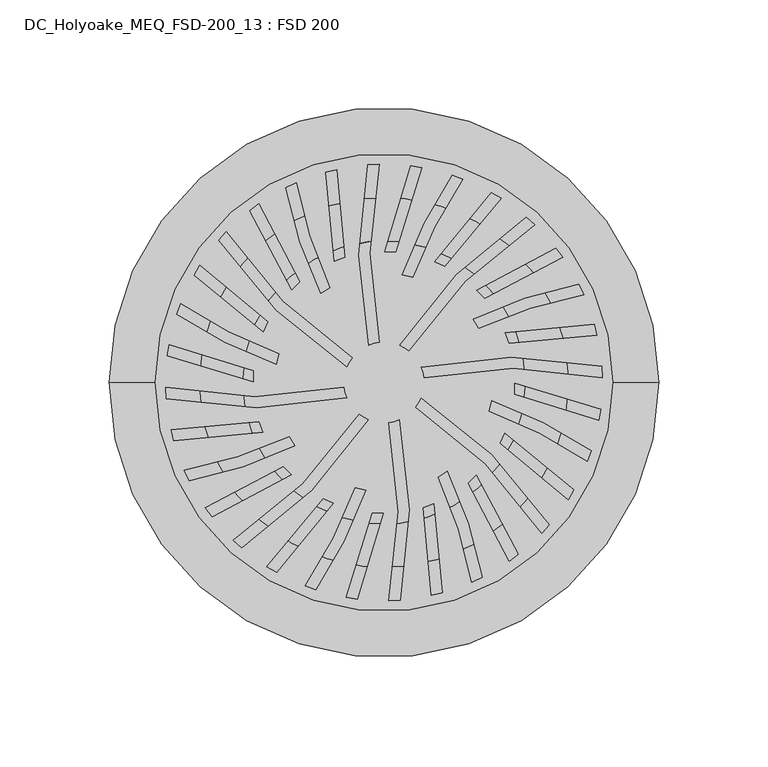
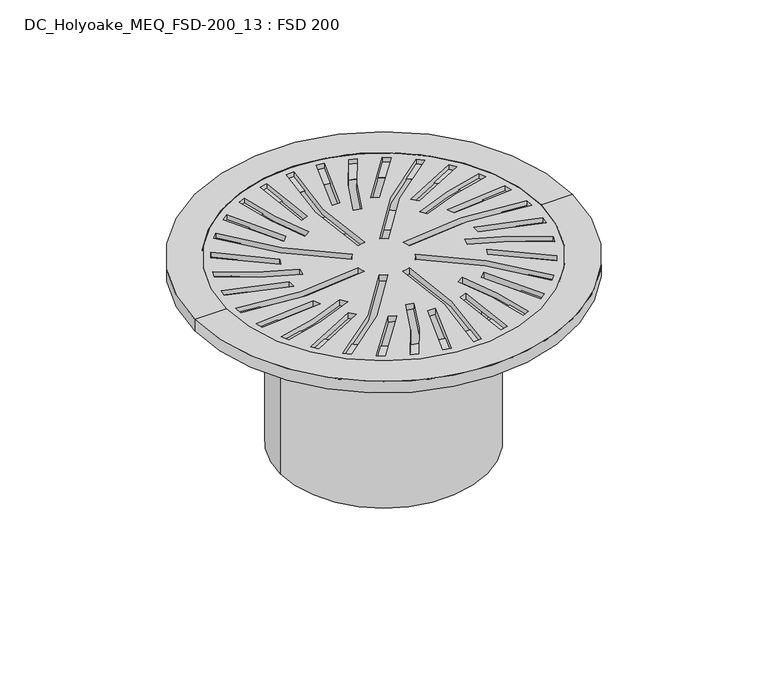
"""IFC4 building model written with IfcOpenShell, lengths in millimetres: air terminal geometry, DC_Holyoake_MEQ_FSD-200_13 : FSD 200."""

from ifc_helpers import new_model, si_unit, point, frame, frame_2d, origin, origin_with_axes, origin_2d, place, context, project, spatial, polyline, circle_curve, trimmed, segment, composite_curve, outline, extrude, source, transform, mapped, element, save
from ifc_brep_helpers import plane_surface, cylinder_surface, revolved_surface, advanced_brep


def dc_holyoake_meq_fsd_200_13_fsd_200_4b2e48f1(model_context):
    return source(origin(), model_context, "Body", "SolidModel", [
        advanced_brep(
        [(89.0, 0.0, -26.5366546), (-89.0, 0.0, -26.5366546), (-89.0, 0.0, -4.0), (89.0, 0.0, -4.0), (69.0, 0.0, -26.5366546), (-69.0, 0.0, -26.5366546), (69.0, 0.0, -125.0), (-69.0, 0.0, -125.0), (0.0, 0.0, -125.0), (65.0, 0.0, -121.0), (-65.0, 0.0, -121.0), (0.0, 0.0, -121.0), (65.0, 0.0, -22.5366546), (-65.0, 0.0, -22.5366546), (85.0, 0.0, -22.5366546), (-85.0, 0.0, -22.5366546), (85.0, 0.0, 0.4633454), (-85.0, 0.0, 0.4633454), (105.0, 0.0, 0.4633454), (-105.0, 0.0, 0.4633454), (126.0, 0.0, -4.0), (-126.0, 0.0, -4.0), (-126.0, 0.0, 4.0), (126.0, 0.0, 4.0), (105.0, 0.0, 4.0), (-105.0, 0.0, 4.0)],
        [
            (0, 1, circle_curve(frame((0.0, 0.0, -26.5366546), z_axis=(0.0, 0.0, 1.0), x_axis=(-1.0, 0.0, 0.0)), 89.0)),
            (1, 2),
            (2, 3, circle_curve(frame((0.0, 0.0, -4.0), z_axis=(0.0, 0.0, -1.0), x_axis=(-1.0, 0.0, 0.0)), 89.0)),
            (3, 0),
            (1, 0, circle_curve(frame((0.0, 0.0, -26.5366546), z_axis=(0.0, 0.0, 1.0), x_axis=(-1.0, 0.0, 0.0)), 89.0)),
            (3, 2, circle_curve(frame((0.0, 0.0, -4.0), z_axis=(0.0, 0.0, -1.0), x_axis=(-1.0, 0.0, 0.0)), 89.0)),
            (4, 5, circle_curve(frame((0.0, 0.0, -26.5366546), z_axis=(0.0, 0.0, 1.0), x_axis=(-1.0, 0.0, 0.0)), 69.0)),
            (5, 1),
            (0, 4),
            (5, 4, circle_curve(frame((0.0, 0.0, -26.5366546), z_axis=(0.0, 0.0, 1.0), x_axis=(-1.0, 0.0, 0.0)), 69.0)),
            (6, 7, circle_curve(frame((0.0, 0.0, -125.0), z_axis=(0.0, 0.0, 1.0), x_axis=(-1.0, 0.0, 0.0)), 69.0)),
            (7, 5),
            (4, 6),
            (7, 6, circle_curve(frame((0.0, 0.0, -125.0), z_axis=(0.0, 0.0, 1.0), x_axis=(-1.0, 0.0, 0.0)), 69.0)),
            (8, 7),
            (6, 8),
            (9, 10, circle_curve(frame((0.0, 0.0, -121.0), z_axis=(0.0, 0.0, 1.0), x_axis=(-1.0, 0.0, 0.0)), 65.0)),
            (10, 11),
            (11, 9),
            (10, 9, circle_curve(frame((0.0, 0.0, -121.0), z_axis=(0.0, 0.0, 1.0), x_axis=(-1.0, 0.0, 0.0)), 65.0)),
            (12, 13, circle_curve(frame((0.0, 0.0, -22.5366546), z_axis=(0.0, 0.0, 1.0), x_axis=(-1.0, 0.0, 0.0)), 65.0)),
            (13, 10),
            (9, 12),
            (13, 12, circle_curve(frame((0.0, 0.0, -22.5366546), z_axis=(0.0, 0.0, 1.0), x_axis=(-1.0, 0.0, 0.0)), 65.0)),
            (14, 15, circle_curve(frame((0.0, 0.0, -22.5366546), z_axis=(0.0, 0.0, 1.0), x_axis=(-1.0, 0.0, 0.0)), 85.0)),
            (15, 13),
            (12, 14),
            (15, 14, circle_curve(frame((0.0, 0.0, -22.5366546), z_axis=(0.0, 0.0, 1.0), x_axis=(-1.0, 0.0, 0.0)), 85.0)),
            (16, 17, circle_curve(frame((0.0, 0.0, 0.4633454), z_axis=(0.0, 0.0, 1.0), x_axis=(-1.0, 0.0, 0.0)), 85.0)),
            (17, 15),
            (14, 16),
            (17, 16, circle_curve(frame((0.0, 0.0, 0.4633454), z_axis=(0.0, 0.0, 1.0), x_axis=(-1.0, 0.0, 0.0)), 85.0)),
            (18, 19, circle_curve(frame((0.0, 0.0, 0.4633454), z_axis=(0.0, 0.0, 1.0), x_axis=(-1.0, 0.0, 0.0)), 105.0)),
            (19, 17),
            (16, 18),
            (19, 18, circle_curve(frame((0.0, 0.0, 0.4633454), z_axis=(0.0, 0.0, 1.0), x_axis=(-1.0, 0.0, 0.0)), 105.0)),
            (20, 21, circle_curve(frame((0.0, 0.0, -4.0), z_axis=(0.0, 0.0, 1.0), x_axis=(-1.0, 0.0, 0.0)), 126.0)),
            (21, 22),
            (22, 23, circle_curve(frame((0.0, 0.0, 4.0), z_axis=(0.0, 0.0, -1.0), x_axis=(-1.0, 0.0, 0.0)), 126.0)),
            (23, 20),
            (21, 20, circle_curve(frame((0.0, 0.0, -4.0), z_axis=(0.0, 0.0, 1.0), x_axis=(-1.0, 0.0, 0.0)), 126.0)),
            (23, 22, circle_curve(frame((0.0, 0.0, 4.0), z_axis=(0.0, 0.0, -1.0), x_axis=(-1.0, 0.0, 0.0)), 126.0)),
            (2, 21),
            (20, 3),
            (24, 25, circle_curve(frame((0.0, 0.0, 4.0), z_axis=(0.0, 0.0, 1.0), x_axis=(-1.0, 0.0, 0.0)), 105.0)),
            (25, 19),
            (18, 24),
            (25, 24, circle_curve(frame((0.0, 0.0, 4.0), z_axis=(0.0, 0.0, 1.0), x_axis=(-1.0, 0.0, 0.0)), 105.0)),
            (22, 25),
            (24, 23),
        ],
        [
            cylinder_surface(frame((0.0, 0.0, 2214.3150031), z_axis=(0.0, 0.0, -1.0), x_axis=(-1.0, 0.0, 0.0)), 89.0),
            plane_surface(frame((0.0, 0.0, -26.5366546), z_axis=(0.0, 0.0, -1.0), x_axis=(-1.0, 0.0, 0.0))),
            cylinder_surface(frame((0.0, 0.0, 2214.3150031), z_axis=(0.0, 0.0, -1.0), x_axis=(-1.0, 0.0, 0.0)), 69.0),
            plane_surface(frame((0.0, 0.0, -125.0), z_axis=(0.0, 0.0, -1.0), x_axis=(-1.0, 0.0, 0.0))),
            plane_surface(frame((0.0, 0.0, -121.0), z_axis=(0.0, 0.0, 1.0), x_axis=(-1.0, 0.0, 0.0))),
            revolved_surface(polyline([(-65.0, 0.0, -121.0), (-65.0, 0.0, -22.53665460000002)]), (0.0, 0.0, 2214.3150031), (0.0, 0.0, -1.0)),
            plane_surface(frame((0.0, 0.0, -22.5366546), z_axis=(0.0, 0.0, 1.0), x_axis=(-1.0, 0.0, 0.0))),
            revolved_surface(polyline([(-85.0, 0.0, -22.53665460000002), (-85.0, 0.0, 0.46334539999998015)]), (0.0, 0.0, 2214.3150031), (0.0, 0.0, -1.0)),
            plane_surface(frame((0.0, 0.0, 0.4633454), z_axis=(0.0, 0.0, 1.0), x_axis=(-1.0, 0.0, 0.0))),
            cylinder_surface(frame((0.0, 0.0, 2214.3150031), z_axis=(0.0, 0.0, -1.0), x_axis=(-1.0, 0.0, 0.0)), 126.0),
            plane_surface(frame((0.0, 0.0, -4.0), z_axis=(0.0, 0.0, -1.0), x_axis=(-1.0, 0.0, 0.0))),
            revolved_surface(polyline([(-105.0, 0.0, 0.46334539999998015), (-105.0, 0.0, 4.0)]), (0.0, 0.0, 2214.3150031), (0.0, 0.0, -1.0)),
            plane_surface(frame((0.0, 0.0, 4.0), z_axis=(0.0, 0.0, 1.0), x_axis=(-1.0, 0.0, 0.0))),
        ],
        [
            (0, [[1, 2, 3, 4]]),
            (0, [[5, -4, 6, -2]]),
            (1, [[7, 8, -1, 9]]),
            (1, [[10, -9, -5, -8]]),
            (2, [[11, 12, -7, 13]]),
            (2, [[14, -13, -10, -12]]),
            (3, [[15, -11, 16]]),
            (3, [[-16, -14, -15]]),
            (4, [[17, 18, 19]]),
            (4, [[20, -19, -18]]),
            (5, [[21, 22, -17, 23]]),
            (5, [[24, -23, -20, -22]]),
            (6, [[25, 26, -21, 27]]),
            (6, [[28, -27, -24, -26]]),
            (7, [[29, 30, -25, 31]]),
            (7, [[32, -31, -28, -30]]),
            (8, [[33, 34, -29, 35]]),
            (8, [[36, -35, -32, -34]]),
            (9, [[37, 38, 39, 40]]),
            (9, [[41, -40, 42, -38]]),
            (10, [[-3, 43, -37, 44]]),
            (10, [[-6, -44, -41, -43]]),
            (11, [[45, 46, -33, 47]]),
            (11, [[48, -47, -36, -46]]),
            (12, [[-39, 49, -45, 50]]),
            (12, [[-42, -50, -48, -49]]),
        ],
    ),
        extrude(outline(composite_curve([segment(trimmed(circle_curve(origin_2d(), 105.0), [point((-105.0, 0.0))], [point((105.0, 0.0))], False, "CARTESIAN"), True, "CONTINUOUS"), segment(trimmed(circle_curve(origin_2d(), 105.0), [point((105.0, 0.0))], [point((-105.0, 0.0))], False, "CARTESIAN"), True, "CONTINUOUS")], self_intersect=False), holes=[composite_curve([segment(trimmed(circle_curve(frame_2d((191.0220864, 59.25)), 197.5), [point((-2.200496, 18.368664))], [point((-2.2334955, 99.9750544))], False, "CARTESIAN"), True, "CONTINUOUS"), segment(trimmed(circle_curve(origin_2d(), 100.0), [point((-2.2334955, 99.9750544))], [point((-7.3913858, 99.726463))], True, "CARTESIAN"), True, "CONTINUOUS"), segment(trimmed(circle_curve(frame_2d((191.0220864, 59.25)), 202.5), [point((-7.3913858, 99.726463))], [point((-7.0440003, 17.1064917))], True, "CARTESIAN"), True, "CONTINUOUS"), segment(trimmed(circle_curve(origin_2d(), 18.5), [point((-7.0440003, 17.1064917))], [point((-2.200496, 18.368664))], False, "CARTESIAN"), True, "CONTINUOUS")], self_intersect=False), composite_curve([segment(trimmed(circle_curve(origin_2d(), 18.5), [point((-17.0769767, 7.1152559))], [point((-14.5445925, 11.4326212))], False, "CARTESIAN"), True, "CONTINUOUS"), segment(trimmed(circle_curve(frame_2d((93.1769359, 176.9690894)), 197.5), [point((-14.5445925, 11.4326212))], [point((-72.2723587, 69.1137191))], False, "CARTESIAN"), True, "CONTINUOUS"), segment(trimmed(circle_curve(origin_2d(), 100.0), [point((-72.2723587, 69.1137191))], [point((-75.7437572, 65.2907592))], True, "CARTESIAN"), True, "CONTINUOUS"), segment(trimmed(circle_curve(frame_2d((93.1769359, 176.9690894)), 202.5), [point((-75.7437572, 65.2907592))], [point((-17.0769767, 7.1152559))], True, "CARTESIAN"), True, "CONTINUOUS")], self_intersect=False), composite_curve([segment(trimmed(circle_curve(frame_2d((176.9690894, -93.1769359)), 197.5), [point((11.4326212, 14.5445925))], [point((69.1137191, 72.2723587))], False, "CARTESIAN"), True, "CONTINUOUS"), segment(trimmed(circle_curve(origin_2d(), 100.0), [point((69.1137191, 72.2723587))], [point((65.2907592, 75.7437572))], True, "CARTESIAN"), True, "CONTINUOUS"), segment(trimmed(circle_curve(frame_2d((176.9690894, -93.1769359)), 202.5), [point((65.2907592, 75.7437572))], [point((7.1152559, 17.0769767))], True, "CARTESIAN"), True, "CONTINUOUS"), segment(trimmed(circle_curve(origin_2d(), 18.5), [point((7.1152559, 17.0769767))], [point((11.4326212, 14.5445925))], False, "CARTESIAN"), True, "CONTINUOUS")], self_intersect=False), composite_curve([segment(trimmed(circle_curve(frame_2d((59.25, -191.0220864)), 197.5), [point((18.368664, 2.200496))], [point((99.9750544, 2.2334955))], False, "CARTESIAN"), True, "CONTINUOUS"), segment(trimmed(circle_curve(origin_2d(), 100.0), [point((99.9750544, 2.2334955))], [point((99.726463, 7.3913858))], True, "CARTESIAN"), True, "CONTINUOUS"), segment(trimmed(circle_curve(frame_2d((59.25, -191.0220864)), 202.5), [point((99.726463, 7.3913858))], [point((17.1064917, 7.0440003))], True, "CARTESIAN"), True, "CONTINUOUS"), segment(trimmed(circle_curve(origin_2d(), 18.5), [point((17.1064917, 7.0440003))], [point((18.368664, 2.200496))], False, "CARTESIAN"), True, "CONTINUOUS")], self_intersect=False), composite_curve([segment(trimmed(circle_curve(frame_2d((-93.1769359, -176.9690894)), 202.5), [point((75.7437572, -65.2907592))], [point((17.0769767, -7.1152559))], True, "CARTESIAN"), True, "CONTINUOUS"), segment(trimmed(circle_curve(origin_2d(), 18.5), [point((17.0769767, -7.1152559))], [point((14.5445925, -11.4326212))], False, "CARTESIAN"), True, "CONTINUOUS"), segment(trimmed(circle_curve(frame_2d((-93.1769359, -176.9690894)), 197.5), [point((14.5445925, -11.4326212))], [point((72.2723587, -69.1137191))], False, "CARTESIAN"), True, "CONTINUOUS"), segment(trimmed(circle_curve(origin_2d(), 100.0), [point((72.2723587, -69.1137191))], [point((75.7437572, -65.2907592))], True, "CARTESIAN"), True, "CONTINUOUS")], self_intersect=False), composite_curve([segment(trimmed(circle_curve(frame_2d((-191.0220864, -59.25)), 197.5), [point((2.200496, -18.368664))], [point((2.2334955, -99.9750544))], False, "CARTESIAN"), True, "CONTINUOUS"), segment(trimmed(circle_curve(origin_2d(), 100.0), [point((2.2334955, -99.9750544))], [point((7.3913858, -99.726463))], True, "CARTESIAN"), True, "CONTINUOUS"), segment(trimmed(circle_curve(frame_2d((-191.0220864, -59.25)), 202.5), [point((7.3913858, -99.726463))], [point((7.0440003, -17.1064917))], True, "CARTESIAN"), True, "CONTINUOUS"), segment(trimmed(circle_curve(origin_2d(), 18.5), [point((7.0440003, -17.1064917))], [point((2.200496, -18.368664))], False, "CARTESIAN"), True, "CONTINUOUS")], self_intersect=False), composite_curve([segment(trimmed(circle_curve(frame_2d((-176.9690894, 93.1769359)), 197.5), [point((-11.4326212, -14.5445925))], [point((-69.1137191, -72.2723587))], False, "CARTESIAN"), True, "CONTINUOUS"), segment(trimmed(circle_curve(origin_2d(), 100.0), [point((-69.1137191, -72.2723587))], [point((-65.2907592, -75.7437572))], True, "CARTESIAN"), True, "CONTINUOUS"), segment(trimmed(circle_curve(frame_2d((-176.9690894, 93.1769359)), 202.5), [point((-65.2907592, -75.7437572))], [point((-7.1152559, -17.0769767))], True, "CARTESIAN"), True, "CONTINUOUS"), segment(trimmed(circle_curve(origin_2d(), 18.5), [point((-7.1152559, -17.0769767))], [point((-11.4326212, -14.5445925))], False, "CARTESIAN"), True, "CONTINUOUS")], self_intersect=False), composite_curve([segment(trimmed(circle_curve(frame_2d((-59.25, 191.0220864)), 197.5), [point((-18.368664, -2.200496))], [point((-99.9750544, -2.2334955))], False, "CARTESIAN"), True, "CONTINUOUS"), segment(trimmed(circle_curve(origin_2d(), 100.0), [point((-99.9750544, -2.2334955))], [point((-99.726463, -7.3913858))], True, "CARTESIAN"), True, "CONTINUOUS"), segment(trimmed(circle_curve(frame_2d((-59.25, 191.0220864)), 202.5), [point((-99.726463, -7.3913858))], [point((-17.1064917, -7.0440003))], True, "CARTESIAN"), True, "CONTINUOUS"), segment(trimmed(circle_curve(origin_2d(), 18.5), [point((-17.1064917, -7.0440003))], [point((-18.368664, -2.200496))], False, "CARTESIAN"), True, "CONTINUOUS")], self_intersect=False), composite_curve([segment(trimmed(circle_curve(frame_2d((198.9107522, 20.8449675)), 197.5), [point((5.3104453, 59.8984074))], [point((17.313586, 98.4897951))], False, "CARTESIAN"), True, "CONTINUOUS"), segment(trimmed(circle_curve(origin_2d(), 100.0), [point((17.313586, 98.4897951))], [point((12.2063054, 99.2522348))], True, "CARTESIAN"), True, "CONTINUOUS"), segment(trimmed(circle_curve(frame_2d((198.9107522, 20.8449675)), 202.5), [point((12.2063054, 99.2522348))], [point((0.2340929, 60.0091738))], True, "CARTESIAN"), True, "CONTINUOUS"), segment(polyline([(0.2340929, 60.0091738), (5.3104453, 59.8984074)]), True, "CONTINUOUS")], self_intersect=False), composite_curve([segment(trimmed(circle_curve(frame_2d((125.9115238, 155.3907596)), 197.5), [point((-38.5995182, 46.109622))], [point((-57.4002479, 81.8853561))], False, "CARTESIAN"), True, "CONTINUOUS"), segment(trimmed(circle_curve(origin_2d(), 100.0), [point((-57.4002479, 81.8853561))], [point((-61.5507669, 78.8130896))], True, "CARTESIAN"), True, "CONTINUOUS"), segment(trimmed(circle_curve(frame_2d((125.9115238, 155.3907596)), 202.5), [point((-61.5507669, 78.8130896))], [point((-42.2673651, 42.5984224))], True, "CARTESIAN"), True, "CONTINUOUS"), segment(polyline([(-42.2673651, 42.5984224), (-38.5995182, 46.109622)]), True, "CONTINUOUS")], self_intersect=False), composite_curve([segment(trimmed(circle_curve(frame_2d((20.8449675, -198.9107522)), 197.5), [point((59.8984074, -5.3104453))], [point((98.4897951, -17.313586))], False, "CARTESIAN"), True, "CONTINUOUS"), segment(trimmed(circle_curve(origin_2d(), 100.0), [point((98.4897951, -17.313586))], [point((99.2522348, -12.2063054))], True, "CARTESIAN"), True, "CONTINUOUS"), segment(trimmed(circle_curve(frame_2d((20.8449675, -198.9107522)), 202.5), [point((99.2522348, -12.2063054))], [point((60.0091738, -0.2340929))], True, "CARTESIAN"), True, "CONTINUOUS"), segment(polyline([(60.0091738, -0.2340929), (59.8984074, -5.3104453)]), True, "CONTINUOUS")], self_intersect=False), composite_curve([segment(trimmed(circle_curve(frame_2d((155.3907596, -125.9115238)), 197.5), [point((46.109622, 38.5995182))], [point((81.8853561, 57.4002479))], False, "CARTESIAN"), True, "CONTINUOUS"), segment(trimmed(circle_curve(origin_2d(), 100.0), [point((81.8853561, 57.4002479))], [point((78.8130896, 61.5507669))], True, "CARTESIAN"), True, "CONTINUOUS"), segment(trimmed(circle_curve(frame_2d((155.3907596, -125.9115238)), 202.5), [point((78.8130896, 61.5507669))], [point((42.5984224, 42.2673651))], True, "CARTESIAN"), True, "CONTINUOUS"), segment(polyline([(42.5984224, 42.2673651), (46.109622, 38.5995182)]), True, "CONTINUOUS")], self_intersect=False), composite_curve([segment(trimmed(circle_curve(frame_2d((-198.9107522, -20.8449675)), 197.5), [point((-5.3104453, -59.8984074))], [point((-17.313586, -98.4897951))], False, "CARTESIAN"), True, "CONTINUOUS"), segment(trimmed(circle_curve(origin_2d(), 100.0), [point((-17.313586, -98.4897951))], [point((-12.2063054, -99.2522348))], True, "CARTESIAN"), True, "CONTINUOUS"), segment(trimmed(circle_curve(frame_2d((-198.9107522, -20.8449675)), 202.5), [point((-12.2063054, -99.2522348))], [point((-0.2340929, -60.0091738))], True, "CARTESIAN"), True, "CONTINUOUS"), segment(polyline([(-0.2340929, -60.0091738), (-5.3104453, -59.8984074)]), True, "CONTINUOUS")], self_intersect=False), composite_curve([segment(trimmed(circle_curve(frame_2d((-125.9115238, -155.3907596)), 197.5), [point((38.5995182, -46.109622))], [point((57.4002479, -81.8853561))], False, "CARTESIAN"), True, "CONTINUOUS"), segment(trimmed(circle_curve(origin_2d(), 100.0), [point((57.4002479, -81.8853561))], [point((61.5507669, -78.8130896))], True, "CARTESIAN"), True, "CONTINUOUS"), segment(trimmed(circle_curve(frame_2d((-125.9115238, -155.3907596)), 202.5), [point((61.5507669, -78.8130896))], [point((42.2673651, -42.5984224))], True, "CARTESIAN"), True, "CONTINUOUS"), segment(polyline([(42.2673651, -42.5984224), (38.5995182, -46.109622)]), True, "CONTINUOUS")], self_intersect=False), composite_curve([segment(trimmed(circle_curve(frame_2d((-20.8449675, 198.9107522)), 197.5), [point((-59.8984074, 5.3104453))], [point((-98.4897951, 17.313586))], False, "CARTESIAN"), True, "CONTINUOUS"), segment(trimmed(circle_curve(origin_2d(), 100.0), [point((-98.4897951, 17.313586))], [point((-99.2522348, 12.2063054))], True, "CARTESIAN"), True, "CONTINUOUS"), segment(trimmed(circle_curve(frame_2d((-20.8449675, 198.9107522)), 202.5), [point((-99.2522348, 12.2063054))], [point((-60.0091738, 0.2340929))], True, "CARTESIAN"), True, "CONTINUOUS"), segment(polyline([(-60.0091738, 0.2340929), (-59.8984074, 5.3104453)]), True, "CONTINUOUS")], self_intersect=False), composite_curve([segment(trimmed(circle_curve(frame_2d((-155.3907596, 125.9115238)), 197.5), [point((-46.109622, -38.5995182))], [point((-81.8853561, -57.4002479))], False, "CARTESIAN"), True, "CONTINUOUS"), segment(trimmed(circle_curve(origin_2d(), 100.0), [point((-81.8853561, -57.4002479))], [point((-78.8130896, -61.5507669))], True, "CARTESIAN"), True, "CONTINUOUS"), segment(trimmed(circle_curve(frame_2d((-155.3907596, 125.9115238)), 202.5), [point((-78.8130896, -61.5507669))], [point((-42.5984224, -42.2673651))], True, "CARTESIAN"), True, "CONTINUOUS"), segment(polyline([(-42.5984224, -42.2673651), (-46.109622, -38.5995182)]), True, "CONTINUOUS")], self_intersect=False), composite_curve([segment(trimmed(circle_curve(frame_2d((199.1553893, -18.3611254)), 197.5), [point((13.2378908, 48.279206))], [point((36.1953162, 93.2196282))], False, "CARTESIAN"), True, "CONTINUOUS"), segment(trimmed(circle_curve(origin_2d(), 100.0), [point((36.1953162, 93.2196282))], [point((31.3349151, 94.9637989))], True, "CARTESIAN"), True, "CONTINUOUS"), segment(trimmed(circle_curve(frame_2d((199.1553893, -18.3611254)), 202.5), [point((31.3349151, 94.9637989))], [point((8.318373, 49.3698368))], True, "CARTESIAN"), True, "CONTINUOUS"), segment(polyline([(8.318373, 49.3698368), (13.2378908, 48.279206)]), True, "CONTINUOUS")], self_intersect=False), composite_curve([segment(trimmed(circle_curve(frame_2d((153.8074025, 127.84085)), 197.5), [point((-24.7779516, 43.4991563))], [point((-40.3222777, 91.5101848))], False, "CARTESIAN"), True, "CONTINUOUS"), segment(trimmed(circle_curve(origin_2d(), 100.0), [point((-40.3222777, 91.5101848))], [point((-44.9924152, 89.3066771))], True, "CARTESIAN"), True, "CONTINUOUS"), segment(trimmed(circle_curve(frame_2d((153.8074025, 127.84085)), 202.5), [point((-44.9924152, 89.3066771))], [point((-29.0277684, 40.7917244))], True, "CARTESIAN"), True, "CONTINUOUS"), segment(polyline([(-29.0277684, 40.7917244), (-24.7779516, 43.4991563)]), True, "CONTINUOUS")], self_intersect=False), composite_curve([segment(trimmed(circle_curve(frame_2d((-18.3611254, -199.1553893)), 197.5), [point((48.279206, -13.2378908))], [point((93.2196282, -36.1953162))], False, "CARTESIAN"), True, "CONTINUOUS"), segment(trimmed(circle_curve(origin_2d(), 100.0), [point((93.2196282, -36.1953162))], [point((94.9637989, -31.3349151))], True, "CARTESIAN"), True, "CONTINUOUS"), segment(trimmed(circle_curve(frame_2d((-18.3611254, -199.1553893)), 202.5), [point((94.9637989, -31.3349151))], [point((49.3698368, -8.318373))], True, "CARTESIAN"), True, "CONTINUOUS"), segment(polyline([(49.3698368, -8.318373), (48.279206, -13.2378908)]), True, "CONTINUOUS")], self_intersect=False), composite_curve([segment(trimmed(circle_curve(frame_2d((127.84085, -153.8074025)), 197.5), [point((43.4991563, 24.7779516))], [point((91.5101848, 40.3222777))], False, "CARTESIAN"), True, "CONTINUOUS"), segment(trimmed(circle_curve(origin_2d(), 100.0), [point((91.5101848, 40.3222777))], [point((89.3066771, 44.9924152))], True, "CARTESIAN"), True, "CONTINUOUS"), segment(trimmed(circle_curve(frame_2d((127.84085, -153.8074025)), 202.5), [point((89.3066771, 44.9924152))], [point((40.7917244, 29.0277684))], True, "CARTESIAN"), True, "CONTINUOUS"), segment(polyline([(40.7917244, 29.0277684), (43.4991563, 24.7779516)]), True, "CONTINUOUS")], self_intersect=False), composite_curve([segment(trimmed(circle_curve(frame_2d((-199.1553893, 18.3611254)), 197.5), [point((-13.2378908, -48.279206))], [point((-36.1953162, -93.2196282))], False, "CARTESIAN"), True, "CONTINUOUS"), segment(trimmed(circle_curve(origin_2d(), 100.0), [point((-36.1953162, -93.2196282))], [point((-31.3349151, -94.9637989))], True, "CARTESIAN"), True, "CONTINUOUS"), segment(trimmed(circle_curve(frame_2d((-199.1553893, 18.3611254)), 202.5), [point((-31.3349151, -94.9637989))], [point((-8.318373, -49.3698368))], True, "CARTESIAN"), True, "CONTINUOUS"), segment(polyline([(-8.318373, -49.3698368), (-13.2378908, -48.279206)]), True, "CONTINUOUS")], self_intersect=False), composite_curve([segment(trimmed(circle_curve(frame_2d((-153.8074025, -127.84085)), 197.5), [point((24.7779516, -43.4991563))], [point((40.3222777, -91.5101848))], False, "CARTESIAN"), True, "CONTINUOUS"), segment(trimmed(circle_curve(origin_2d(), 100.0), [point((40.3222777, -91.5101848))], [point((44.9924152, -89.3066771))], True, "CARTESIAN"), True, "CONTINUOUS"), segment(trimmed(circle_curve(frame_2d((-153.8074025, -127.84085)), 202.5), [point((44.9924152, -89.3066771))], [point((29.0277684, -40.7917244))], True, "CARTESIAN"), True, "CONTINUOUS"), segment(polyline([(29.0277684, -40.7917244), (24.7779516, -43.4991563)]), True, "CONTINUOUS")], self_intersect=False), composite_curve([segment(trimmed(circle_curve(frame_2d((18.3611254, 199.1553893)), 197.5), [point((-48.279206, 13.2378908))], [point((-93.2196282, 36.1953162))], False, "CARTESIAN"), True, "CONTINUOUS"), segment(trimmed(circle_curve(origin_2d(), 100.0), [point((-93.2196282, 36.1953162))], [point((-94.9637989, 31.3349151))], True, "CARTESIAN"), True, "CONTINUOUS"), segment(trimmed(circle_curve(frame_2d((18.3611254, 199.1553893)), 202.5), [point((-94.9637989, 31.3349151))], [point((-49.3698368, 8.318373))], True, "CARTESIAN"), True, "CONTINUOUS"), segment(polyline([(-49.3698368, 8.318373), (-48.279206, 13.2378908)]), True, "CONTINUOUS")], self_intersect=False), composite_curve([segment(trimmed(circle_curve(frame_2d((-127.84085, 153.8074025)), 197.5), [point((-43.4991563, -24.7779516))], [point((-91.5101848, -40.3222777))], False, "CARTESIAN"), True, "CONTINUOUS"), segment(trimmed(circle_curve(origin_2d(), 100.0), [point((-91.5101848, -40.3222777))], [point((-89.3066771, -44.9924152))], True, "CARTESIAN"), True, "CONTINUOUS"), segment(trimmed(circle_curve(frame_2d((-127.84085, 153.8074025)), 202.5), [point((-89.3066771, -44.9924152))], [point((-40.7917244, -29.0277684))], True, "CARTESIAN"), True, "CONTINUOUS"), segment(polyline([(-40.7917244, -29.0277684), (-43.4991563, -24.7779516)]), True, "CONTINUOUS")], self_intersect=False), composite_curve([segment(trimmed(circle_curve(frame_2d((191.7465964, -56.8616105)), 197.5), [point((27.8283399, 53.3066932))], [point((53.6860806, 84.3670833))], False, "CARTESIAN"), True, "CONTINUOUS"), segment(trimmed(circle_curve(origin_2d(), 100.0), [point((53.6860806, 84.3670833))], [point((49.2593416, 87.0259574))], True, "CARTESIAN"), True, "CONTINUOUS"), segment(trimmed(circle_curve(frame_2d((191.7465964, -56.8616105)), 202.5), [point((49.2593416, 87.0259574))], [point((23.1807903, 55.351664))], True, "CARTESIAN"), True, "CONTINUOUS"), segment(polyline([(23.1807903, 55.351664), (27.8283399, 53.3066932)]), True, "CONTINUOUS")], self_intersect=False), composite_curve([segment(trimmed(circle_curve(frame_2d((175.792549, 95.3780882)), 197.5), [point((-18.0159165, 57.3711321))], [point((-21.6947451, 97.6183284))], False, "CARTESIAN"), True, "CONTINUOUS"), segment(trimmed(circle_curve(origin_2d(), 100.0), [point((-21.6947451, 97.6183284))], [point((-26.7050301, 96.3682591))], True, "CARTESIAN"), True, "CONTINUOUS"), segment(trimmed(circle_curve(frame_2d((175.792549, 95.3780882)), 202.5), [point((-26.7050301, 96.3682591))], [point((-22.748243, 55.530831))], True, "CARTESIAN"), True, "CONTINUOUS"), segment(polyline([(-22.748243, 55.530831), (-18.0159165, 57.3711321)]), True, "CONTINUOUS")], self_intersect=False), composite_curve([segment(trimmed(circle_curve(frame_2d((-56.8616105, -191.7465964)), 197.5), [point((53.3066932, -27.8283399))], [point((84.3670833, -53.6860806))], False, "CARTESIAN"), True, "CONTINUOUS"), segment(trimmed(circle_curve(origin_2d(), 100.0), [point((84.3670833, -53.6860806))], [point((87.0259574, -49.2593416))], True, "CARTESIAN"), True, "CONTINUOUS"), segment(trimmed(circle_curve(frame_2d((-56.8616105, -191.7465964)), 202.5), [point((87.0259574, -49.2593416))], [point((55.351664, -23.1807903))], True, "CARTESIAN"), True, "CONTINUOUS"), segment(polyline([(55.351664, -23.1807903), (53.3066932, -27.8283399)]), True, "CONTINUOUS")], self_intersect=False), composite_curve([segment(trimmed(circle_curve(frame_2d((95.3780882, -175.792549)), 197.5), [point((57.3711321, 18.0159165))], [point((97.6183284, 21.6947451))], False, "CARTESIAN"), True, "CONTINUOUS"), segment(trimmed(circle_curve(origin_2d(), 100.0), [point((97.6183284, 21.6947451))], [point((96.3682591, 26.7050301))], True, "CARTESIAN"), True, "CONTINUOUS"), segment(trimmed(circle_curve(frame_2d((95.3780882, -175.792549)), 202.5), [point((96.3682591, 26.7050301))], [point((55.530831, 22.748243))], True, "CARTESIAN"), True, "CONTINUOUS"), segment(polyline([(55.530831, 22.748243), (57.3711321, 18.0159165)]), True, "CONTINUOUS")], self_intersect=False), composite_curve([segment(trimmed(circle_curve(frame_2d((-191.7465964, 56.8616105)), 197.5), [point((-27.8283399, -53.3066932))], [point((-53.6860806, -84.3670833))], False, "CARTESIAN"), True, "CONTINUOUS"), segment(trimmed(circle_curve(origin_2d(), 100.0), [point((-53.6860806, -84.3670833))], [point((-49.2593416, -87.0259574))], True, "CARTESIAN"), True, "CONTINUOUS"), segment(trimmed(circle_curve(frame_2d((-191.7465964, 56.8616105)), 202.5), [point((-49.2593416, -87.0259574))], [point((-23.1807903, -55.351664))], True, "CARTESIAN"), True, "CONTINUOUS"), segment(polyline([(-23.1807903, -55.351664), (-27.8283399, -53.3066932)]), True, "CONTINUOUS")], self_intersect=False), composite_curve([segment(trimmed(circle_curve(frame_2d((-175.792549, -95.3780882)), 197.5), [point((18.0159165, -57.3711321))], [point((21.6947451, -97.6183284))], False, "CARTESIAN"), True, "CONTINUOUS"), segment(trimmed(circle_curve(origin_2d(), 100.0), [point((21.6947451, -97.6183284))], [point((26.7050301, -96.3682591))], True, "CARTESIAN"), True, "CONTINUOUS"), segment(trimmed(circle_curve(frame_2d((-175.792549, -95.3780882)), 202.5), [point((26.7050301, -96.3682591))], [point((22.748243, -55.530831))], True, "CARTESIAN"), True, "CONTINUOUS"), segment(polyline([(22.748243, -55.530831), (18.0159165, -57.3711321)]), True, "CONTINUOUS")], self_intersect=False), composite_curve([segment(trimmed(circle_curve(frame_2d((56.8616105, 191.7465964)), 197.5), [point((-53.3066932, 27.8283399))], [point((-84.3670833, 53.6860806))], False, "CARTESIAN"), True, "CONTINUOUS"), segment(trimmed(circle_curve(origin_2d(), 100.0), [point((-84.3670833, 53.6860806))], [point((-87.0259574, 49.2593416))], True, "CARTESIAN"), True, "CONTINUOUS"), segment(trimmed(circle_curve(frame_2d((56.8616105, 191.7465964)), 202.5), [point((-87.0259574, 49.2593416))], [point((-55.351664, 23.1807903))], True, "CARTESIAN"), True, "CONTINUOUS"), segment(polyline([(-55.351664, 23.1807903), (-53.3066932, 27.8283399)]), True, "CONTINUOUS")], self_intersect=False), composite_curve([segment(trimmed(circle_curve(frame_2d((-95.3780882, 175.792549)), 197.5), [point((-57.3711321, -18.0159165))], [point((-97.6183284, -21.6947451))], False, "CARTESIAN"), True, "CONTINUOUS"), segment(trimmed(circle_curve(origin_2d(), 100.0), [point((-97.6183284, -21.6947451))], [point((-96.3682591, -26.7050301))], True, "CARTESIAN"), True, "CONTINUOUS"), segment(trimmed(circle_curve(frame_2d((-95.3780882, 175.792549)), 202.5), [point((-96.3682591, -26.7050301))], [point((-55.530831, -22.748243))], True, "CARTESIAN"), True, "CONTINUOUS"), segment(polyline([(-55.530831, -22.748243), (-57.3711321, -18.0159165)]), True, "CONTINUOUS")], self_intersect=False)]), origin_with_axes(), (0.0, 0.0, 1.0), 4.0),
    ])


if __name__ == "__main__":
    model = new_model("IFC4")
    model_context = context("Model", 3, world=origin())
    ifc_project = project(units=[si_unit("LENGTHUNIT", "METRE", prefix="MILLI")], contexts=[model_context])
    site = spatial("IfcSite", under=ifc_project)
    building = spatial("IfcBuilding", under=site)
    placement = place(None, origin())
    dc_holyoake_meq_fsd_200_13_fsd_200_shape = dc_holyoake_meq_fsd_200_13_fsd_200_4b2e48f1(model_context)
    element("IfcAirTerminal", 1, ObjectType="DC_Holyoake_MEQ_FSD-200_13 : FSD 200", at=placement, inside=building, context=model_context, shape_type="MappedRepresentation", body=[
        mapped(dc_holyoake_meq_fsd_200_13_fsd_200_shape, transform((0.0, 0.0, 0.0), x_axis=(1.0, 0.0, 0.0), y_axis=(0.0, 1.0, 0.0), z_axis=(0.0, 0.0, 1.0))),
    ])
    save(model, "model.ifc")
